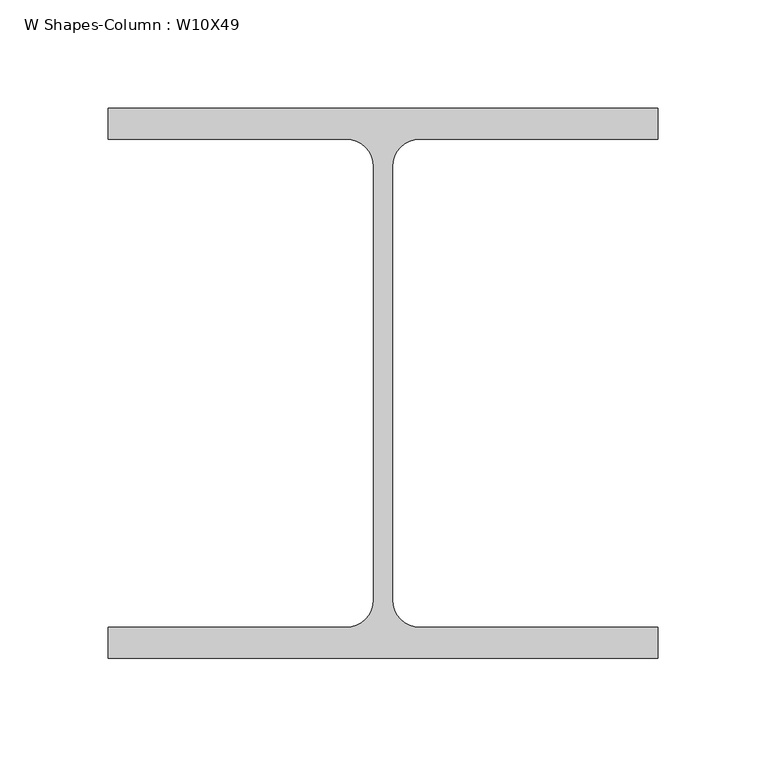
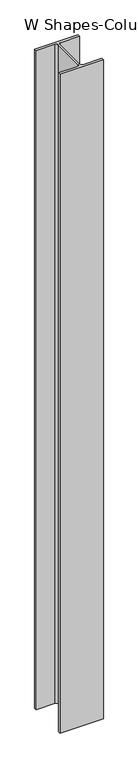
"""IFC4 building model written with IfcOpenShell, lengths in millimetres: column geometry, W Shapes-Column : W10X49."""

from ifc_helpers import new_model, si_unit, point, frame, frame_2d, origin, place, context, project, spatial, polyline, circle_curve, trimmed, segment, composite_curve, outline, extrude, source, transform, mapped, element, save


def w_shapes_column_w10x49_0ac1794f(model_context):
    return source(origin(), model_context, "Body", "SweptSolid", [
        extrude(outline(composite_curve([segment(polyline([(127.0, 127.0), (127.0, 112.776), (17.018, 112.776)]), True, "CONTINUOUS"), segment(trimmed(circle_curve(frame_2d((17.018, 100.076)), 12.7), [point((17.018, 112.776))], [point((4.318, 100.076))], True, "CARTESIAN"), True, "CONTINUOUS"), segment(polyline([(4.318, 100.076), (4.318, -100.076)]), True, "CONTINUOUS"), segment(trimmed(circle_curve(frame_2d((17.018, -100.076)), 12.7), [point((4.318, -100.076))], [point((17.018, -112.776))], True, "CARTESIAN"), True, "CONTINUOUS"), segment(polyline([(17.018, -112.776), (127.0, -112.776), (127.0, -127.0), (-127.0, -127.0), (-127.0, -112.776), (-17.018, -112.776)]), True, "CONTINUOUS"), segment(trimmed(circle_curve(frame_2d((-17.018, -100.076)), 12.7), [point((-17.018, -112.776))], [point((-4.318, -100.076))], True, "CARTESIAN"), True, "CONTINUOUS"), segment(polyline([(-4.318, -100.076), (-4.318, 100.076)]), True, "CONTINUOUS"), segment(trimmed(circle_curve(frame_2d((-17.018, 100.076)), 12.7), [point((-4.318, 100.076))], [point((-17.018, 112.776))], True, "CARTESIAN"), True, "CONTINUOUS"), segment(polyline([(-17.018, 112.776), (-127.0, 112.776), (-127.0, 127.0), (127.0, 127.0)]), True, "CONTINUOUS")], self_intersect=False)), frame((0.0, 0.0, -2032.0), z_axis=(0.0, 0.0, 1.0), x_axis=(1.0, 0.0, 0.0)), (0.0, 0.0, 1.0), 4064.0),
    ])


if __name__ == "__main__":
    model = new_model("IFC4")
    model_context = context("Model", 3, world=origin())
    ifc_project = project(units=[si_unit("LENGTHUNIT", "METRE", prefix="MILLI")], contexts=[model_context])
    site = spatial("IfcSite", under=ifc_project)
    building = spatial("IfcBuilding", under=site)
    placement = place(None, origin())
    w_shapes_column_w10x49_shape = w_shapes_column_w10x49_0ac1794f(model_context)
    element("IfcColumn", 1, ObjectType="W Shapes-Column : W10X49", at=placement, inside=building, context=model_context, shape_type="MappedRepresentation", body=[
        mapped(w_shapes_column_w10x49_shape, transform((0.0, 0.0, 0.0), x_axis=(1.0, 0.0, 0.0), y_axis=(0.0, 1.0, 0.0), z_axis=(0.0, 0.0, 1.0))),
    ])
    save(model, "model.ifc")
